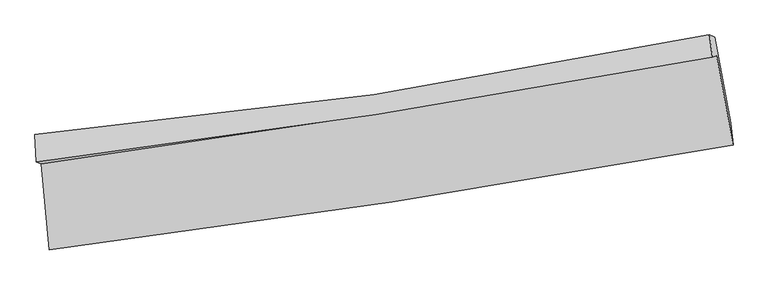
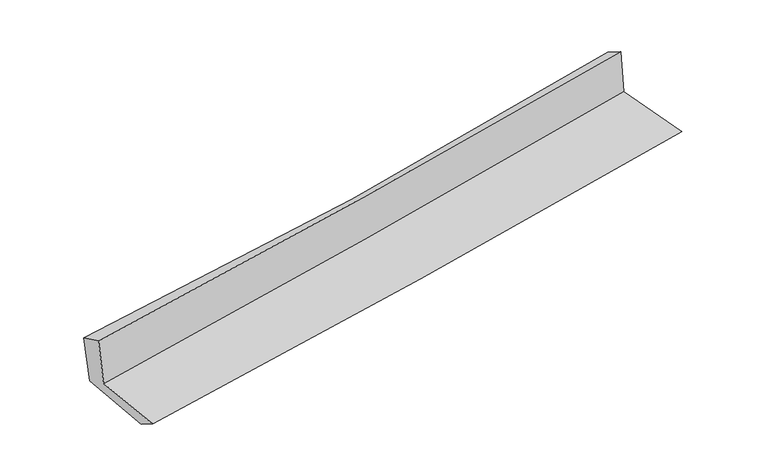
"""IFC4 building model written with IfcOpenShell, lengths in millimetres: proxy geometry."""

from ifc_helpers import new_model, si_unit, frame, origin, place, context, project, spatial, source, transform, mapped, element, save
from ifc_brep_helpers import plane_surface, spline_curve, spline_surface, advanced_brep


def generic_models_3141df22(model_context):
    return source(origin(), model_context, "Body", "AdvancedBrep", [
        advanced_brep(
        [(-2522.2452597, -1906.9986151, 1658.4388367), (-2462.3683807, -2543.9086348, 1652.1061323), (2598.4128292, -1766.6619619, 2105.1025243), (2476.8433061, -1103.7139742, 2116.6165163), (-2557.7273463, -1892.8517458, 2055.3642366), (2444.7560781, -1113.4721916, 2503.6598635), (-2568.9886646, -1686.9770298, 1963.3822432), (2423.6850331, -949.9006359, 2404.495973), (-2532.6392122, -1716.6263111, 1573.1578783), (2462.4794023, -965.8772711, 1994.2831674), (-2469.0109287, -2380.3560017, 1552.2676338), (2579.5295291, -1602.0750839, 1978.8220453)],
        [
            (0, 1),
            (1, 2, spline_curve(3, [(-2462.3683807, -2543.9086348, 1652.1061323), (-1615.181545948, -2437.774029501, 1734.166822117), (-769.340583014, -2319.842246758, 1812.989213626), (917.579897967, -2060.702267803, 1963.972157215), (1758.666005319, -1919.551826343, 2036.148563346), (2598.4128292, -1766.6619619, 2105.1025243)], [4, 2, 4], [0.0, 8.39686303537684, 16.773146920711525])),
            (2, 3),
            (3, 0, spline_curve(3, [(2476.8433061, -1103.7139742, 2116.6165163), (1647.999444497, -1255.648560321, 2043.610179842), (817.499953199, -1398.485286492, 1968.974385435), (-848.854757087, -1666.291592075, 1816.256508599), (-1684.718121045, -1791.216413025, 1738.16640998), (-2522.2452597, -1906.9986151, 1658.4388367)], [4, 2, 4], [0.0, 8.376283885334685, 16.773146920711525])),
            (4, 0),
            (3, 5),
            (5, 4, spline_curve(3, [(2444.7560781, -1113.4721916, 2503.6598635), (1615.826522801, -1269.525832739, 2435.472261224), (785.001921283, -1412.437407514, 2364.0702748), (-882.483230722, -1672.295247598, 2214.654212866), (-1719.153103718, -1789.176857248, 2136.624323853), (-2557.7273463, -1892.8517458, 2055.3642366)], [4, 2, 4], [0.0, 8.329336316319708, 16.67913644023615])),
            (6, 4),
            (5, 7),
            (7, 6, spline_curve(3, [(2423.6850331, -949.9006359, 2404.495973), (1599.561825485, -1122.027220531, 2332.174077244), (771.958818565, -1269.468509025, 2259.299431689), (-892.248627952, -1515.282084832, 2112.264240891), (-1728.870186772, -1613.532927612, 2038.100976775), (-2568.9886646, -1686.9770298, 1963.3822432)], [4, 2, 4], [0.0, 8.316308037617555, 16.65304787449666])),
            (8, 6),
            (7, 9),
            (9, 8, spline_curve(3, [(2462.4794023, -965.8772711, 1994.2831674), (1637.481390503, -1135.578384279, 1925.228081319), (809.237201396, -1282.942042042, 1855.650462962), (-855.786366291, -1533.301615547, 1715.277937512), (-1692.581715559, -1636.187637749, 1644.480459291), (-2532.6392122, -1716.6263111, 1573.1578783)], [4, 2, 4], [0.0, 8.30632679180138, 16.633060860587122])),
            (10, 8),
            (9, 11),
            (11, 10, spline_curve(3, [(2579.5295291, -1602.0750839, 1978.8220453), (1742.655248313, -1756.834687781, 1909.396454414), (904.02473611, -1899.007121556, 1839.182038963), (-778.813443139, -2158.496019497, 1697.001116171), (-1623.029750157, -2275.75055823, 1625.030727632), (-2469.0109287, -2380.3560017, 1552.2676338)], [4, 2, 4], [0.0, 8.353666102934557, 16.727855787744765])),
            (1, 10),
            (11, 2),
        ],
        [
            spline_surface(3, 3, [[(-2522.2452597, -1906.9986151, 1658.4388367), (-1684.718120942, -1791.216413125, 1738.166410016), (-848.854756965, -1666.291592179, 1816.256508637), (817.499953077, -1398.485286389, 1968.974385397), (1647.999444391, -1255.648560407, 2043.610179943), (2476.8433061, -1103.7139742, 2116.6165163)], [(-2502.286300052, -2119.301954975, 1656.32793522), (-1661.5392626, -2006.735618547, 1736.833214013), (-822.350032325, -1884.141810357, 1815.167410246), (850.859934731, -1619.22428023, 1967.306976038), (1684.888297985, -1476.949649059, 2041.122974345), (2517.366480458, -1324.696636777, 2112.778518941)], [(-2482.327340348, -2331.605294925, 1654.21703378), (-1638.360404201, -2222.254824043, 1735.50001805), (-795.845307706, -2101.992028503, 1814.078311884), (884.219916364, -1839.963274039, 1965.639566707), (1721.777151603, -1698.25073768, 2038.635768825), (2557.889654842, -1545.679299323, 2108.940521659)], [(-2462.3683807, -2543.9086348, 1652.1061323), (-1615.181545859, -2437.774029465, 1734.166822047), (-769.340583066, -2319.842246681, 1812.989213493), (917.579898018, -2060.70226788, 1963.972157348), (1758.666005197, -1919.551826332, 2036.148563227), (2598.4128292, -1766.6619619, 2105.1025243)]], [4, 4], [4, 2, 4], [0.0, 2.178421292732286], [0.0, 8.39686303537684, 16.773146920711525]),
            spline_surface(3, 3, [[(-2557.7273463, -1892.8517458, 2055.3642366), (-1719.153103582, -1789.176857271, 2136.624323818), (-882.48323059, -1672.295247477, 2214.65421294), (785.001921152, -1412.437407634, 2364.070274725), (1615.82652293, -1269.525832693, 2435.472261276), (2444.7560781, -1113.4721916, 2503.6598635)], [(-2545.899984078, -1897.567368911, 1923.055769957), (-1707.674776014, -1789.856709234, 2003.805019208), (-871.273739403, -1670.294029032, 2081.85497818), (795.834598439, -1407.78670054, 2232.371644957), (1626.550830077, -1264.900075255, 2304.851567526), (2455.45182076, -1110.219452458, 2374.64541446)], [(-2534.072621922, -1902.282991989, 1790.747303343), (-1696.19644851, -1790.536561163, 1870.985714626), (-860.064248152, -1668.292810624, 1949.055743397), (806.66727579, -1403.135993484, 2100.673015165), (1637.275137244, -1260.274317845, 2174.230873694), (2466.14756344, -1106.966713342, 2245.63096534)], [(-2522.2452597, -1906.9986151, 1658.4388367), (-1684.718120942, -1791.216413125, 1738.166410016), (-848.854756965, -1666.291592179, 1816.256508637), (817.499953077, -1398.485286389, 1968.974385397), (1647.999444391, -1255.648560407, 2043.610179943), (2476.8433061, -1103.7139742, 2116.6165163)]], [4, 4], [4, 2, 4], [0.0, 1.3065977871409675], [0.0, 8.349800123916442, 16.67913644023615]),
            spline_surface(3, 3, [[(-2568.9886646, -1686.9770298, 1963.3822432), (-1728.870186736, -1613.532927634, 2038.100976751), (-892.248627842, -1515.282084795, 2112.264241013), (771.958818455, -1269.468509061, 2259.299431568), (1599.561825482, -1122.027220635, 2332.174077261), (2423.6850331, -949.9006359, 2404.495973)], [(-2565.234891845, -1755.601935135, 1994.04290766), (-1725.631159029, -1672.080904181, 2070.942092434), (-888.993495418, -1567.619805685, 2146.394231669), (776.306519361, -1317.124808581, 2294.223045967), (1604.983391313, -1171.193424674, 2366.606805251), (2430.708714781, -1004.42448782, 2437.550603152)], [(-2561.481119055, -1824.226840465, 2024.70357214), (-1722.392131288, -1730.628880724, 2103.783208135), (-885.738363014, -1619.957526588, 2180.524222284), (780.654220247, -1364.781108115, 2329.146660326), (1610.404957099, -1220.359628654, 2401.039533286), (2437.732396419, -1058.94833968, 2470.605233348)], [(-2557.7273463, -1892.8517458, 2055.3642366), (-1719.153103582, -1789.176857271, 2136.624323818), (-882.48323059, -1672.295247477, 2214.65421294), (785.001921152, -1412.437407634, 2364.070274725), (1615.82652293, -1269.525832693, 2435.472261276), (2444.7560781, -1113.4721916, 2503.6598635)]], [4, 4], [4, 2, 4], [0.0, 0.5992429848356164], [0.0, 8.336739836879106, 16.65304787449666]),
            spline_surface(3, 3, [[(-2532.6392122, -1716.6263111, 1573.1578783), (-1692.581715485, -1636.187637857, 1644.480459383), (-855.786366408, -1533.301615668, 1715.277937407), (809.237201513, -1282.942041921, 1855.650463068), (1637.481390612, -1135.578384148, 1925.228081411), (2462.4794023, -965.8772711, 1994.2831674)], [(-2544.755696346, -1706.743217327, 1703.232666622), (-1704.677872581, -1628.636067777, 1775.687298527), (-867.940453558, -1527.295105396, 1847.606705245), (796.811073822, -1278.45086432, 1990.200119204), (1624.841535549, -1131.061329639, 2060.876746705), (2449.54794588, -960.551726029, 2131.020769277)], [(-2556.872180454, -1696.860123573, 1833.307454878), (-1716.774029639, -1621.084497715, 1906.894137607), (-880.094540692, -1521.288595067, 1979.935473175), (784.384946147, -1273.959686663, 2124.749775432), (1612.201680545, -1126.544275144, 2196.525411967), (2436.61648952, -955.226180971, 2267.758371123)], [(-2568.9886646, -1686.9770298, 1963.3822432), (-1728.870186736, -1613.532927634, 2038.100976751), (-892.248627842, -1515.282084795, 2112.264241013), (771.958818455, -1269.468509061, 2259.299431568), (1599.561825482, -1122.027220635, 2332.174077261), (2423.6850331, -949.9006359, 2404.495973)]], [4, 4], [4, 2, 4], [0.0, 1.3199220577077018], [0.0, 8.326734068785742, 16.633060860587122]),
            spline_surface(3, 3, [[(-2469.0109287, -2380.3560017, 1552.2676338), (-1623.029750109, -2275.75055809, 1625.03072761), (-778.81344308, -2158.496019406, 1697.001116033), (904.024736052, -1899.007121647, 1839.1820391), (1742.655248272, -1756.834687683, 1909.396454473), (2579.5295291, -1602.0750839, 1978.8220453)], [(-2490.220356524, -2159.112771517, 1559.231048633), (-1646.213738558, -2062.56291803, 1631.513971534), (-804.471084187, -1950.097884813, 1703.093389823), (872.428891208, -1693.652095058, 1844.671513755), (1707.597295716, -1549.749253146, 1914.673663433), (2540.512820164, -1390.009146275, 1983.975752647)], [(-2511.429784376, -1937.869541283, 1566.194463467), (-1669.397727036, -1849.375277918, 1637.997215459), (-830.128725302, -1741.699750261, 1709.185663617), (840.833046357, -1488.29706851, 1850.160988413), (1672.539343169, -1342.663818685, 1919.950872451), (2501.496111236, -1177.943208725, 1989.129460053)], [(-2532.6392122, -1716.6263111, 1573.1578783), (-1692.581715485, -1636.187637857, 1644.480459383), (-855.786366408, -1533.301615668, 1715.277937407), (809.237201513, -1282.942041921, 1855.650463068), (1637.481390612, -1135.578384148, 1925.228081411), (2462.4794023, -965.8772711, 1994.2831674)]], [4, 4], [4, 2, 4], [0.0, 2.0564056900978644], [0.0, 8.374189684810208, 16.727855787744765]),
            spline_surface(3, 3, [[(-2462.3683807, -2543.9086348, 1652.1061323), (-1615.181545859, -2437.774029465, 1734.166822047), (-769.340583066, -2319.842246681, 1812.989213493), (917.579898018, -2060.70226788, 1963.972157348), (1758.666005197, -1919.551826332, 2036.148563227), (2598.4128292, -1766.6619619, 2105.1025243)], [(-2464.582563355, -2489.391090434, 1618.826632808), (-1617.79761393, -2383.766205674, 1697.78812391), (-772.49820306, -2266.060170924, 1774.32651436), (913.061510707, -2006.803885803, 1922.375451285), (1753.329086245, -1865.312780124, 1993.897860332), (2592.118395856, -1711.799669242, 2063.009031323)], [(-2466.796746045, -2434.873546066, 1585.547133292), (-1620.413682038, -2329.758381881, 1661.409425748), (-775.655823086, -2212.278095163, 1735.663815167), (908.543123363, -1952.905503723, 1880.778745163), (1747.992167224, -1811.073733891, 1951.647157368), (2585.823962444, -1656.937376558, 2020.915538277)], [(-2469.0109287, -2380.3560017, 1552.2676338), (-1623.029750109, -2275.75055809, 1625.03072761), (-778.81344308, -2158.496019406, 1697.001116033), (904.024736052, -1899.007121647, 1839.1820391), (1742.655248272, -1756.834687683, 1909.396454473), (2579.5295291, -1602.0750839, 1978.8220453)]], [4, 4], [4, 2, 4], [0.0, 0.6619836345812008], [0.0, 8.431674088827236, 16.842683712192848]),
            plane_surface(frame((2497.6176963, -1250.2835198, 2183.830015), z_axis=(0.9802383828188909, 0.17826387575469993, 0.08575956768500265), x_axis=(-0.09408053651817123, 0.038745066395939234, 0.9948103701100162))),
            plane_surface(frame((-2518.8299654, -2021.2863897, 1742.4528268), z_axis=(-0.9920525550433578, -0.09241536687496664, -0.08538810219995989), x_axis=(-0.09359422309589341, 0.995561216959893, 0.009898721554473584))),
        ],
        [
            (0, [[1, 2, 3, 4]]),
            (1, [[5, -4, 6, 7]]),
            (2, [[8, -7, 9, 10]]),
            (3, [[11, -10, 12, 13]]),
            (4, [[14, -13, 15, 16]]),
            (5, [[17, -16, 18, -2]]),
            (6, [[-12, -9, -6, -3, -18, -15]]),
            (7, [[-1, -5, -8, -11, -14, -17]]),
        ],
    ),
    ])


if __name__ == "__main__":
    model = new_model("IFC4")
    model_context = context("Model", 3, world=origin())
    ifc_project = project(units=[si_unit("LENGTHUNIT", "METRE", prefix="MILLI")], contexts=[model_context])
    site = spatial("IfcSite", under=ifc_project)
    building = spatial("IfcBuilding", under=site)
    placement = place(None, origin())
    generic_models_shape = generic_models_3141df22(model_context)
    element("IfcBuildingElementProxy", 1, Name="Generic Models", at=placement, inside=building, context=model_context, shape_type="MappedRepresentation", body=[
        mapped(generic_models_shape, transform((0.0, 0.0, 0.0), x_axis=(1.0, 0.0, 0.0), y_axis=(0.0, 1.0, 0.0), z_axis=(0.0, 0.0, 1.0))),
    ])
    save(model, "model.ifc")
